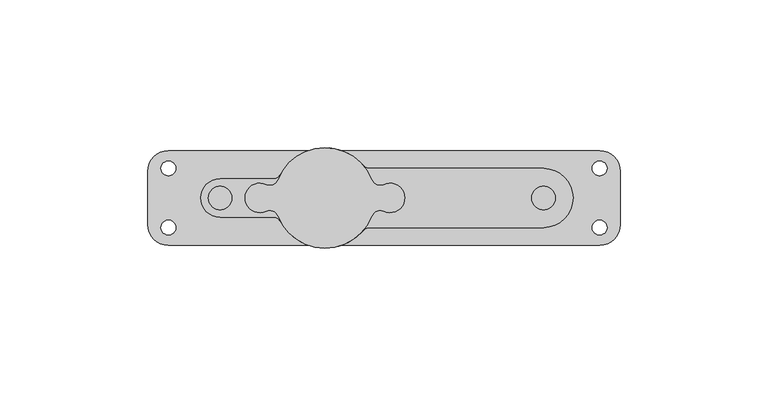
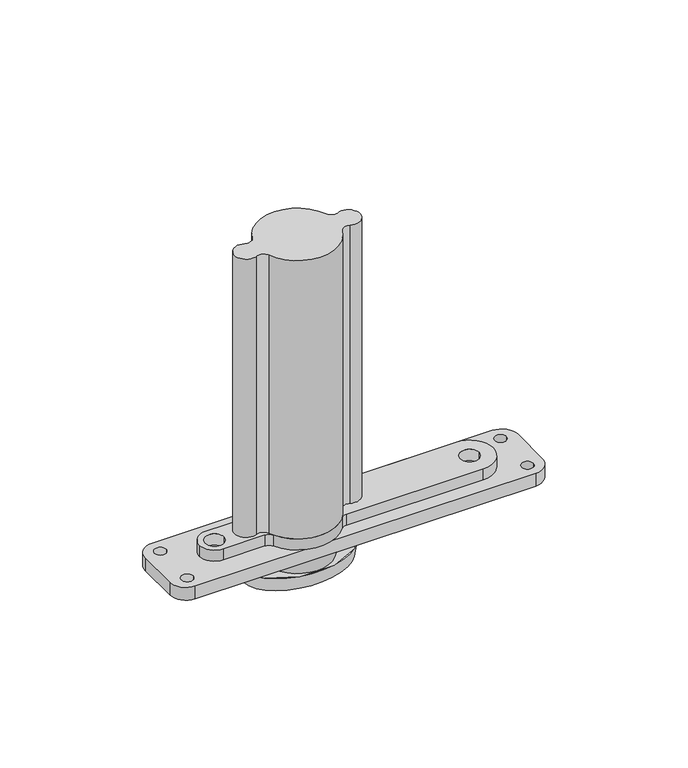
"""IFC4 building model written with IfcOpenShell, lengths in millimetres: proxy geometry."""

from ifc_helpers import new_model, si_unit, point, frame, frame_2d, origin, origin_2d, place, context, project, spatial, polyline, circle_curve, ellipse_curve, trimmed, segment, composite_curve, outline, extrude, source, transform, mapped, element, save
from ifc_brep_helpers import plane_surface, cylinder_surface, revolved_surface, spline_surface, advanced_brep


def generic_models_d6140777(model_context):
    return source(origin(), model_context, "Body", "SolidModel", [
        extrude(outline(composite_curve([segment(trimmed(circle_curve(origin_2d(), 14.5), [point((-14.5, 0.0))], [point((14.5, 0.0))], False, "CARTESIAN"), True, "CONTINUOUS"), segment(trimmed(circle_curve(origin_2d(), 14.5), [point((14.5, 0.0))], [point((-14.5, 0.0))], False, "CARTESIAN"), True, "CONTINUOUS")], self_intersect=False)), frame((0.0, 0.0, -6.7), z_axis=(0.0, 0.0, 1.0), x_axis=(1.0, 0.0, 0.0)), (0.0, 0.0, 1.0), 6.7),
        advanced_brep(
        [(-24.0, 0.0, -6.7), (24.0, 0.0, -6.7), (-23.0, 0.0, -12.7), (23.0, 0.0, -12.7)],
        [
            (0, 1, ellipse_curve(frame((0.0, 0.0, -6.7), z_axis=(0.0, 0.0, 1.0), x_axis=(1.0, 0.0, 0.0)), 24.0, 15.5)),
            (1, 0, ellipse_curve(frame((0.0, 0.0, -6.7), z_axis=(0.0, 0.0, 1.0), x_axis=(1.0, 0.0, 0.0)), 24.0, 15.5)),
            (2, 3, ellipse_curve(frame((0.0, 0.0, -12.7), z_axis=(0.0, 0.0, -1.0), x_axis=(1.0, 0.0, 0.0)), 23.0, 14.5)),
            (3, 2, ellipse_curve(frame((0.0, 0.0, -12.7), z_axis=(0.0, 0.0, -1.0), x_axis=(1.0, 0.0, 0.0)), 23.0, 14.5)),
            (3, 1),
            (0, 2),
        ],
        [
            plane_surface(frame((0.0, 0.0, -6.7), z_axis=(0.0, 0.0, 1.0), x_axis=(0.0, -1.0, 0.0))),
            plane_surface(frame((0.0, 0.0, -12.7), z_axis=(0.0, 0.0, -1.0), x_axis=(0.0, -1.0, 0.0))),
            spline_surface(2, 1, [[(-23.0, 0.0, -12.7), (-24.0, 0.0, -6.7)], [(-23.0, -14.5, -12.7), (-24.0, -15.5, -6.7)], [(0.0, -14.5, -12.7), (0.0, -15.5, -6.7)], [(23.0, -14.5, -12.7), (24.0, -15.5, -6.7)], [(23.0, 0.0, -12.7), (24.0, 0.0, -6.7)]], [3, 2, 3], [2, 2], [0.0, 1.0, 2.0], [0.0, 1.0], weights=[[1.0, 1.0], [0.7071067811865476, 0.7071067811865476], [1.0, 1.0], [0.7071067811865476, 0.7071067811865476], [1.0, 1.0]]),
            spline_surface(2, 1, [[(23.0, 0.0, -12.7), (24.0, 0.0, -6.7)], [(23.0, 14.5, -12.7), (24.0, 15.5, -6.7)], [(0.0, 14.5, -12.7), (0.0, 15.5, -6.7)], [(-23.0, 14.5, -12.7), (-24.0, 15.5, -6.7)], [(-23.0, 0.0, -12.7), (-24.0, 0.0, -6.7)]], [3, 2, 3], [2, 2], [0.0, 1.0, 2.0], [0.0, 1.0], weights=[[1.0, 1.0], [0.7071067811865476, 0.7071067811865476], [1.0, 1.0], [0.7071067811865476, 0.7071067811865476], [1.0, 1.0]]),
        ],
        [
            (0, [[1, 2]]),
            (1, [[3, 4]]),
            (2, [[-4, 5, -1, 6]]),
            (3, [[-3, -6, -2, -5]]),
        ],
    ),
        extrude(outline(composite_curve([segment(trimmed(circle_curve(frame_2d((-22.0, 0.0)), 5.0), [point((-19.8977273, -4.536568))], [point((-19.8977273, 4.536568))], False, "CARTESIAN"), True, "CONTINUOUS"), segment(trimmed(circle_curve(frame_2d((-18.6363636, 7.2585088)), 3.0), [point((-19.8977273, 4.536568))], [point((-15.8409091, 6.1697325))], True, "CARTESIAN"), True, "CONTINUOUS"), segment(trimmed(circle_curve(origin_2d(), 17.0), [point((-15.8409091, 6.1697325))], [point((15.8409091, 6.1697325))], False, "CARTESIAN"), True, "CONTINUOUS"), segment(trimmed(circle_curve(frame_2d((18.6363636, 7.2585088)), 3.0), [point((15.8409091, 6.1697325))], [point((19.8977273, 4.536568))], True, "CARTESIAN"), True, "CONTINUOUS"), segment(trimmed(circle_curve(frame_2d((22.0, 0.0)), 5.0), [point((19.8977273, 4.536568))], [point((19.8977273, -4.536568))], False, "CARTESIAN"), True, "CONTINUOUS"), segment(trimmed(circle_curve(frame_2d((18.6363636, -7.2585088)), 3.0), [point((19.8977273, -4.536568))], [point((15.8409091, -6.1697325))], True, "CARTESIAN"), True, "CONTINUOUS"), segment(trimmed(circle_curve(origin_2d(), 17.0), [point((15.8409091, -6.1697325))], [point((-15.8409091, -6.1697325))], False, "CARTESIAN"), True, "CONTINUOUS"), segment(trimmed(circle_curve(frame_2d((-18.6363636, -7.2585088)), 3.0), [point((-15.8409091, -6.1697325))], [point((-19.8977273, -4.536568))], True, "CARTESIAN"), True, "CONTINUOUS")], self_intersect=False)), frame((0.0, 0.0, 10.8), z_axis=(0.0, 0.0, 1.0), x_axis=(1.0, 0.0, 0.0)), (0.0, 0.0, 1.0), 126.2),
        extrude(outline(composite_curve([segment(polyline([(15.1986842, 10.0), (74.0, 10.0)]), True, "CONTINUOUS"), segment(trimmed(circle_curve(frame_2d((74.0, 0.0)), 10.0), [point((74.0, 10.0))], [point((84.0, 0.0))], False, "CARTESIAN"), True, "CONTINUOUS"), segment(trimmed(circle_curve(frame_2d((74.0, 0.0)), 10.0), [point((84.0, 0.0))], [point((74.0, -10.0))], False, "CARTESIAN"), True, "CONTINUOUS"), segment(polyline([(74.0, -10.0), (15.1986842, -10.0)]), True, "CONTINUOUS"), segment(trimmed(circle_curve(frame_2d((15.1986842, -13.0)), 3.0), [point((15.1986842, -10.0))], [point((12.9188815, -11.05))], True, "CARTESIAN"), True, "CONTINUOUS"), segment(trimmed(circle_curve(origin_2d(), 17.0), [point((12.9188815, -11.05))], [point((-14.9597585, -8.075))], False, "CARTESIAN"), True, "CONTINUOUS"), segment(trimmed(circle_curve(frame_2d((-17.5997159, -9.5)), 3.0), [point((-14.9597585, -8.075))], [point((-17.5997159, -6.5))], True, "CARTESIAN"), True, "CONTINUOUS"), segment(polyline([(-17.5997159, -6.5), (-35.5, -6.5)]), True, "CONTINUOUS"), segment(trimmed(circle_curve(frame_2d((-35.5, 0.0)), 6.5), [point((-35.5, -6.5))], [point((-42.0, 0.0))], False, "CARTESIAN"), True, "CONTINUOUS"), segment(trimmed(circle_curve(frame_2d((-35.5, 0.0)), 6.5), [point((-42.0, 0.0))], [point((-35.5, 6.5))], False, "CARTESIAN"), True, "CONTINUOUS"), segment(polyline([(-35.5, 6.5), (-17.5997159, 6.5)]), True, "CONTINUOUS"), segment(trimmed(circle_curve(frame_2d((-17.5997159, 9.5)), 3.0), [point((-17.5997159, 6.5))], [point((-14.9597585, 8.075))], True, "CARTESIAN"), True, "CONTINUOUS"), segment(trimmed(circle_curve(origin_2d(), 17.0), [point((-14.9597585, 8.075))], [point((12.9188815, 11.05))], False, "CARTESIAN"), True, "CONTINUOUS"), segment(trimmed(circle_curve(frame_2d((15.1986842, 13.0)), 3.0), [point((12.9188815, 11.05))], [point((15.1986842, 10.0))], True, "CARTESIAN"), True, "CONTINUOUS")], self_intersect=False), holes=[composite_curve([segment(trimmed(circle_curve(frame_2d((-35.5, 0.0)), 4.0), [point((-39.5, 0.0))], [point((-31.5, 0.0))], True, "CARTESIAN"), True, "CONTINUOUS"), segment(trimmed(circle_curve(frame_2d((-35.5, 0.0)), 4.0), [point((-31.5, 0.0))], [point((-39.5, 0.0))], True, "CARTESIAN"), True, "CONTINUOUS")], self_intersect=False), composite_curve([segment(trimmed(circle_curve(frame_2d((74.0, 0.0)), 4.0), [point((78.0, 0.0))], [point((70.0, 0.0))], True, "CARTESIAN"), True, "CONTINUOUS"), segment(trimmed(circle_curve(frame_2d((74.0, 0.0)), 4.0), [point((70.0, 0.0))], [point((78.0, 0.0))], True, "CARTESIAN"), True, "CONTINUOUS")], self_intersect=False)]), frame((0.0, 0.0, 5.8), z_axis=(0.0, 0.0, 1.0), x_axis=(1.0, 0.0, 0.0)), (0.0, 0.0, 1.0), 5.0),
        advanced_brep(
        [(-53.0, -16.0, 5.8), (93.0, -16.0, 5.8), (100.0, -9.0, 5.8), (100.0, 9.0, 5.8), (93.0, 16.0, 5.8), (-53.0, 16.0, 5.8), (-60.0, 9.0, 5.8), (-60.0, -9.0, 5.8), (-55.5, -10.0, 5.8), (-50.5, -10.0, 5.8), (-55.5, 10.0, 5.8), (-50.5, 10.0, 5.8), (90.5, 10.0, 5.8), (95.5, 10.0, 5.8), (90.5, -10.0, 5.8), (95.5, -10.0, 5.8), (-53.0, -16.0, 0.0), (-60.0, -9.0, 0.0), (-60.0, 9.0, 0.0), (-53.0, 16.0, 0.0), (93.0, 16.0, 0.0), (100.0, 9.0, 0.0), (100.0, -9.0, 0.0), (93.0, -16.0, 0.0), (-48.5, -10.0, 0.0), (-57.5, -10.0, 0.0), (-48.5, 10.0, 0.0), (-57.5, 10.0, 0.0), (97.5, 10.0, 0.0), (88.5, 10.0, 0.0), (97.5, -10.0, 0.0), (88.5, -10.0, 0.0), (-50.5, -10.0, 2.0), (-55.5, -10.0, 2.0), (-50.5, 10.0, 2.0), (-55.5, 10.0, 2.0), (90.5, 10.0, 2.0), (95.5, 10.0, 2.0), (90.5, -10.0, 2.0), (95.5, -10.0, 2.0)],
        [
            (0, 1),
            (1, 2, circle_curve(frame((93.0, -9.0, 5.8), z_axis=(0.0, 0.0, 1.0), x_axis=(1.0, 0.0, 0.0)), 7.0)),
            (2, 3),
            (3, 4, circle_curve(frame((93.0, 9.0, 5.8), z_axis=(0.0, 0.0, 1.0), x_axis=(1.0, 0.0, 0.0)), 7.0)),
            (4, 5),
            (5, 6, circle_curve(frame((-53.0, 9.0, 5.8), z_axis=(0.0, 0.0, 1.0), x_axis=(1.0, 0.0, 0.0)), 7.0)),
            (6, 7),
            (7, 0, circle_curve(frame((-53.0, -9.0, 5.8), z_axis=(0.0, 0.0, 1.0), x_axis=(1.0, 0.0, 0.0)), 7.0)),
            (8, 9, circle_curve(frame((-53.0, -10.0, 5.8), z_axis=(0.0, 0.0, -1.0), x_axis=(-1.0, 0.0, 0.0)), 2.5)),
            (9, 8, circle_curve(frame((-53.0, -10.0, 5.8), z_axis=(0.0, 0.0, -1.0), x_axis=(-1.0, 0.0, 0.0)), 2.5)),
            (10, 11, circle_curve(frame((-53.0, 10.0, 5.8), z_axis=(0.0, 0.0, -1.0), x_axis=(-1.0, 0.0, 0.0)), 2.5)),
            (11, 10, circle_curve(frame((-53.0, 10.0, 5.8), z_axis=(0.0, 0.0, -1.0), x_axis=(-1.0, 0.0, 0.0)), 2.5)),
            (12, 13, circle_curve(frame((93.0, 10.0, 5.8), z_axis=(0.0, 0.0, -1.0), x_axis=(1.0, 0.0, 0.0)), 2.5)),
            (13, 12, circle_curve(frame((93.0, 10.0, 5.8), z_axis=(0.0, 0.0, -1.0), x_axis=(1.0, 0.0, 0.0)), 2.5)),
            (14, 15, circle_curve(frame((93.0, -10.0, 5.8), z_axis=(0.0, 0.0, -1.0), x_axis=(1.0, 0.0, 0.0)), 2.5)),
            (15, 14, circle_curve(frame((93.0, -10.0, 5.8), z_axis=(0.0, 0.0, -1.0), x_axis=(1.0, 0.0, 0.0)), 2.5)),
            (16, 17, circle_curve(frame((-53.0, -9.0, 0.0), z_axis=(0.0, 0.0, -1.0), x_axis=(1.0, 0.0, 0.0)), 7.0)),
            (17, 18),
            (18, 19, circle_curve(frame((-53.0, 9.0, 0.0), z_axis=(0.0, 0.0, -1.0), x_axis=(1.0, 0.0, 0.0)), 7.0)),
            (19, 20),
            (20, 21, circle_curve(frame((93.0, 9.0, 0.0), z_axis=(0.0, 0.0, -1.0), x_axis=(1.0, 0.0, 0.0)), 7.0)),
            (21, 22),
            (22, 23, circle_curve(frame((93.0, -9.0, 0.0), z_axis=(0.0, 0.0, -1.0), x_axis=(1.0, 0.0, 0.0)), 7.0)),
            (23, 16),
            (24, 25, circle_curve(frame((-53.0, -10.0, 0.0), z_axis=(0.0, 0.0, 1.0), x_axis=(-1.0, 0.0, 0.0)), 4.5)),
            (25, 24, circle_curve(frame((-53.0, -10.0, 0.0), z_axis=(0.0, 0.0, 1.0), x_axis=(-1.0, 0.0, 0.0)), 4.5)),
            (26, 27, circle_curve(frame((-53.0, 10.0, 0.0), z_axis=(0.0, 0.0, 1.0), x_axis=(-1.0, 0.0, 0.0)), 4.5)),
            (27, 26, circle_curve(frame((-53.0, 10.0, 0.0), z_axis=(0.0, 0.0, 1.0), x_axis=(-1.0, 0.0, 0.0)), 4.5)),
            (28, 29, circle_curve(frame((93.0, 10.0, 0.0), z_axis=(0.0, 0.0, 1.0), x_axis=(1.0, 0.0, 0.0)), 4.5)),
            (29, 28, circle_curve(frame((93.0, 10.0, 0.0), z_axis=(0.0, 0.0, 1.0), x_axis=(1.0, 0.0, 0.0)), 4.5)),
            (30, 31, circle_curve(frame((93.0, -10.0, 0.0), z_axis=(0.0, 0.0, 1.0), x_axis=(1.0, 0.0, 0.0)), 4.5)),
            (31, 30, circle_curve(frame((93.0, -10.0, 0.0), z_axis=(0.0, 0.0, 1.0), x_axis=(1.0, 0.0, 0.0)), 4.5)),
            (0, 16),
            (23, 1),
            (22, 2),
            (21, 3),
            (20, 4),
            (19, 5),
            (18, 6),
            (17, 7),
            (24, 32),
            (32, 33, circle_curve(frame((-53.0, -10.0, 2.0), z_axis=(0.0, 0.0, 1.0), x_axis=(-1.0, 0.0, 0.0)), 2.5)),
            (33, 25),
            (33, 32, circle_curve(frame((-53.0, -10.0, 2.0), z_axis=(0.0, 0.0, 1.0), x_axis=(-1.0, 0.0, 0.0)), 2.5)),
            (32, 9),
            (8, 33),
            (26, 34),
            (34, 35, circle_curve(frame((-53.0, 10.0, 2.0), z_axis=(0.0, 0.0, 1.0), x_axis=(-1.0, 0.0, 0.0)), 2.5)),
            (35, 27),
            (35, 34, circle_curve(frame((-53.0, 10.0, 2.0), z_axis=(0.0, 0.0, 1.0), x_axis=(-1.0, 0.0, 0.0)), 2.5)),
            (34, 11),
            (10, 35),
            (36, 29),
            (28, 37),
            (37, 36, circle_curve(frame((93.0, 10.0, 2.0), z_axis=(0.0, 0.0, 1.0), x_axis=(1.0, 0.0, 0.0)), 2.5)),
            (36, 37, circle_curve(frame((93.0, 10.0, 2.0), z_axis=(0.0, 0.0, 1.0), x_axis=(1.0, 0.0, 0.0)), 2.5)),
            (37, 13),
            (12, 36),
            (38, 31),
            (30, 39),
            (39, 38, circle_curve(frame((93.0, -10.0, 2.0), z_axis=(0.0, 0.0, 1.0), x_axis=(1.0, 0.0, 0.0)), 2.5)),
            (38, 39, circle_curve(frame((93.0, -10.0, 2.0), z_axis=(0.0, 0.0, 1.0), x_axis=(1.0, 0.0, 0.0)), 2.5)),
            (39, 15),
            (14, 38),
        ],
        [
            plane_surface(frame((0.0, -16.0, 5.8), z_axis=(0.0, 0.0, 1.0), x_axis=(1.0, 0.0, 0.0))),
            plane_surface(frame((0.0, -16.0, 0.0), z_axis=(0.0, 0.0, -1.0), x_axis=(-1.0, 0.0, 0.0))),
            plane_surface(frame((-53.0, -16.0, 5.8), z_axis=(0.0, -1.0, 0.0), x_axis=(0.0, 0.0, -1.0))),
            cylinder_surface(frame((93.0, -9.0, 0.0), z_axis=(0.0, 0.0, 1.0), x_axis=(1.0, 0.0, 0.0)), 7.0),
            plane_surface(frame((100.0, -9.0, 5.8), z_axis=(1.0, 0.0, 0.0), x_axis=(0.0, 0.0, -1.0))),
            cylinder_surface(frame((93.0, 9.0, 0.0), z_axis=(0.0, 0.0, 1.0), x_axis=(1.0, 0.0, 0.0)), 7.0),
            plane_surface(frame((93.0, 16.0, 5.8), z_axis=(0.0, 1.0, 0.0), x_axis=(0.0, 0.0, -1.0))),
            cylinder_surface(frame((-53.0, 9.0, 0.0), z_axis=(0.0, 0.0, 1.0), x_axis=(1.0, 0.0, 0.0)), 7.0),
            plane_surface(frame((-60.0, 9.0, 5.8), z_axis=(-1.0, 0.0, 0.0), x_axis=(0.0, 0.0, -1.0))),
            cylinder_surface(frame((-53.0, -9.0, 0.0), z_axis=(0.0, 0.0, 1.0), x_axis=(1.0, 0.0, 0.0)), 7.0),
            revolved_surface(polyline([(-57.5, -10.0, 0.0), (-55.5, -10.0, 2.0)]), (-53.0, -10.0, 0.0), (0.0, 0.0, -1.0)),
            revolved_surface(polyline([(-55.5, -10.0, 2.0), (-55.5, -10.0, 5.8)]), (-53.0, -10.0, 0.0), (0.0, 0.0, -1.0)),
            revolved_surface(polyline([(-57.5, 10.0, 0.0), (-55.5, 10.0, 2.0)]), (-53.0, 10.0, 0.0), (0.0, 0.0, -1.0)),
            revolved_surface(polyline([(-55.5, 10.0, 2.0), (-55.5, 10.0, 5.8)]), (-53.0, 10.0, 0.0), (0.0, 0.0, -1.0)),
            revolved_surface(polyline([(95.5, 10.0, 2.0), (97.5, 10.0, 0.0)]), (93.0, 10.0, 0.0), (0.0, 0.0, 1.0)),
            revolved_surface(polyline([(95.5, 10.0, 5.8), (95.5, 10.0, 2.0)]), (93.0, 10.0, 0.0), (0.0, 0.0, 1.0)),
            revolved_surface(polyline([(95.5, -10.0, 2.0), (97.5, -10.0, 0.0)]), (93.0, -10.0, 0.0), (0.0, 0.0, 1.0)),
            revolved_surface(polyline([(95.5, -10.0, 5.8), (95.5, -10.0, 2.0)]), (93.0, -10.0, 0.0), (0.0, 0.0, 1.0)),
        ],
        [
            (0, [[1, 2, 3, 4, 5, 6, 7, 8], [9, 10], [11, 12], [13, 14], [15, 16]]),
            (1, [[17, 18, 19, 20, 21, 22, 23, 24], [25, 26], [27, 28], [29, 30], [31, 32]]),
            (2, [[-1, 33, -24, 34]]),
            (3, [[-2, -34, -23, 35]]),
            (4, [[-3, -35, -22, 36]]),
            (5, [[-4, -36, -21, 37]]),
            (6, [[-5, -37, -20, 38]]),
            (7, [[-6, -38, -19, 39]]),
            (8, [[-7, -39, -18, 40]]),
            (9, [[-8, -40, -17, -33]]),
            (10, [[41, 42, 43, -25]]),
            (10, [[-41, -26, -43, 44]]),
            (11, [[-42, 45, -9, 46]]),
            (11, [[-44, -46, -10, -45]]),
            (12, [[47, 48, 49, -27]]),
            (12, [[-47, -28, -49, 50]]),
            (13, [[-48, 51, -11, 52]]),
            (13, [[-50, -52, -12, -51]]),
            (14, [[53, -29, 54, 55]]),
            (14, [[-53, 56, -54, -30]]),
            (15, [[-55, 57, -13, 58]]),
            (15, [[-56, -58, -14, -57]]),
            (16, [[59, -31, 60, 61]]),
            (16, [[-59, 62, -60, -32]]),
            (17, [[-61, 63, -15, 64]]),
            (17, [[-62, -64, -16, -63]]),
        ],
    ),
    ])


if __name__ == "__main__":
    model = new_model("IFC4")
    model_context = context("Model", 3, world=origin())
    ifc_project = project(units=[si_unit("LENGTHUNIT", "METRE", prefix="MILLI")], contexts=[model_context])
    site = spatial("IfcSite", under=ifc_project)
    building = spatial("IfcBuilding", under=site)
    placement = place(None, origin())
    generic_models_shape = generic_models_d6140777(model_context)
    element("IfcBuildingElementProxy", 1, Name="Generic Models", at=placement, inside=building, context=model_context, shape_type="MappedRepresentation", body=[
        mapped(generic_models_shape, transform((0.0, 0.0, 0.0), x_axis=(1.0, 0.0, 0.0), y_axis=(0.0, 1.0, 0.0), z_axis=(0.0, 0.0, 1.0))),
    ])
    save(model, "model.ifc")
